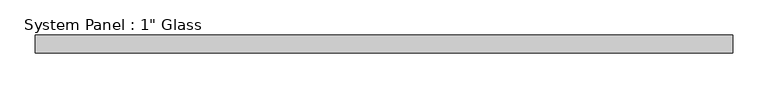
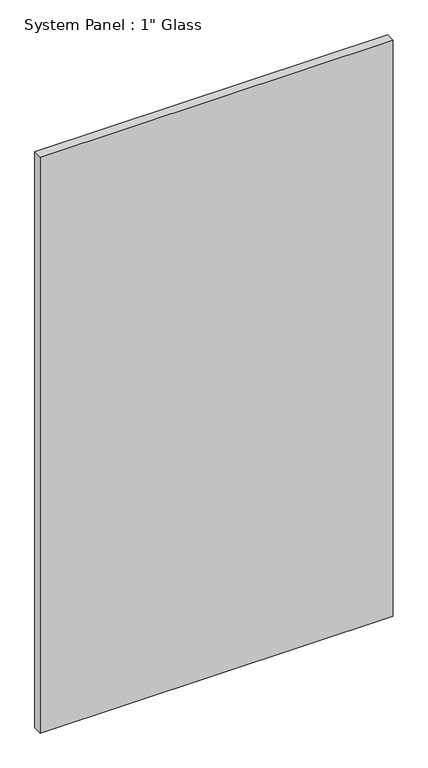
"""IFC4 building model written with IfcOpenShell, lengths in millimetres: plate geometry."""

from ifc_helpers import new_model, si_unit, origin, origin_with_axes, place, context, project, spatial, polyline, outline, extrude, source, transform, mapped, element, save


def plate_6b7e58bb(model_context):
    return source(origin(), model_context, "Body", "SweptSolid", [
        extrude(outline(polyline([(491.6342872, -12.7), (-491.6342872, -12.7), (-491.6342872, 12.7), (491.6342872, 12.7), (491.6342872, -12.7)])), origin_with_axes(), (0.0, 0.0, 1.0), 1695.45),
    ])


if __name__ == "__main__":
    model = new_model("IFC4")
    model_context = context("Model", 3, world=origin())
    ifc_project = project(units=[si_unit("LENGTHUNIT", "METRE", prefix="MILLI")], contexts=[model_context])
    site = spatial("IfcSite", under=ifc_project)
    building = spatial("IfcBuilding", under=site)
    placement = place(None, origin())
    plate_shape = plate_6b7e58bb(model_context)
    element("IfcPlate", 1, ObjectType="System Panel : 1\" Glass", at=placement, inside=building, context=model_context, shape_type="MappedRepresentation", body=[
        mapped(plate_shape, transform((0.0, 0.0, 0.0), x_axis=(1.0, 0.0, 0.0), y_axis=(0.0, 1.0, 0.0), z_axis=(0.0, 0.0, 1.0))),
    ])
    save(model, "model.ifc")
